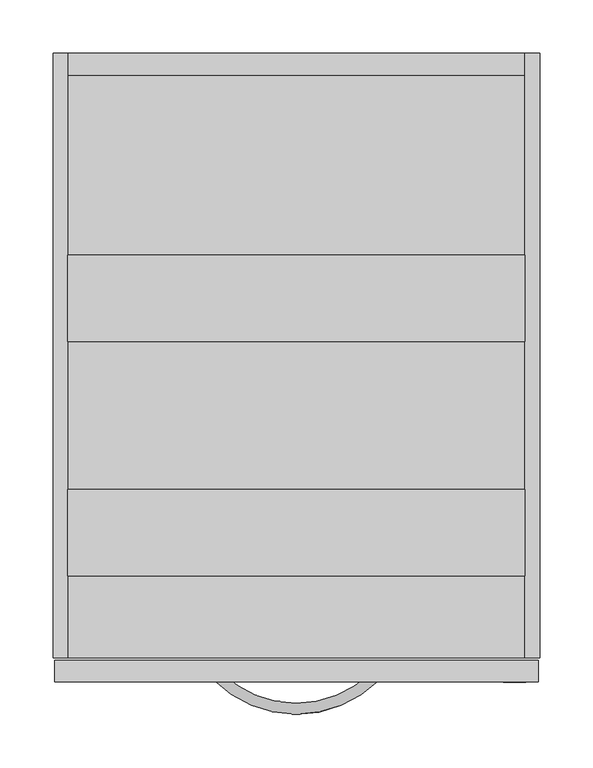
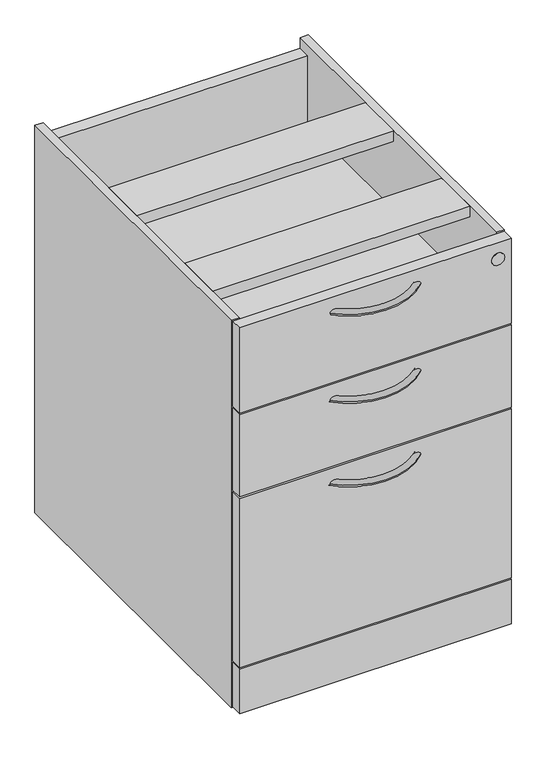
"""IFC4 building model written with IfcOpenShell, lengths in millimetres: furniture geometry."""

from ifc_helpers import new_model, si_unit, point, frame, frame_2d, origin, origin_with_axes, place, context, project, spatial, polyline, circle_curve, ellipse_curve, trimmed, segment, composite_curve, outline, extrude, source, transform, mapped, element, save
from ifc_brep_helpers import plane_surface, revolved_surface, advanced_brep


def furniture_cee28c30(model_context):
    return source(origin(), model_context, "Body", "SolidModel", [
        advanced_brep(
        [(282.3081107, 8.5864322, 670.1744451), (289.4639827, 1.3740057, 670.1744451), (141.4452893, 9.140876, 670.1744451), (134.2328628, 1.985004, 670.1744451)],
        [
            (0, 1, circle_curve(frame((285.8860467, 4.9802189, 670.1744451), z_axis=(0.7098844935595596, 0.7043181140675622, 0.0), x_axis=(0.7043181140675622, -0.7098844935595596, 0.0)), 5.08)),
            (1, 0, circle_curve(frame((285.8860467, 4.9802189, 670.1744451), z_axis=(0.7098844935595596, 0.7043181140675622, 0.0), x_axis=(0.7043181140675622, -0.7098844935595596, 0.0)), 5.08)),
            (2, 3, circle_curve(frame((137.8390761, 5.56294, 670.1744451), z_axis=(-0.7043181140675633, 0.7098844935595585, 0.0), x_axis=(-0.7098844935595585, -0.7043181140675633, 0.0)), 5.08)),
            (3, 2, circle_curve(frame((137.8390761, 5.56294, 670.1744451), z_axis=(-0.7043181140675633, 0.7098844935595585, 0.0), x_axis=(-0.7098844935595585, -0.7043181140675633, 0.0)), 5.08)),
            (3, 1, circle_curve(frame((212.1539219, 79.2950648, 670.1744451), z_axis=(0.0, 0.0, 1.0), x_axis=(0.7043181140675623, -0.7098844935595595, 0.0)), 109.7658278)),
            (0, 2, circle_curve(frame((212.1539219, 79.2950648, 670.1744451), z_axis=(0.0, 0.0, -1.0), x_axis=(0.7043181140675623, -0.7098844935595595, 0.0)), 99.6058278)),
        ],
        [
            plane_surface(frame((285.9409674, 4.9248642, 670.1234375), z_axis=(0.7098844935595596, 0.7043181140675623, 0.0), x_axis=(0.0, 0.0, 1.0))),
            plane_surface(frame((137.7837214, 5.5080193, 670.1234375), z_axis=(-0.7043181140675635, 0.7098844935595584, 0.0), x_axis=(0.0, 0.0, 1.0))),
            revolved_surface(trimmed(ellipse_curve(frame((285.8860467, 4.9802189, 670.1744451), z_axis=(0.7098844935595596, 0.7043181140675622, 0.0), x_axis=(0.7043181140675622, -0.7098844935595596, 0.0)), 5.08, 5.08), [point((282.3081107, 8.5864322, 670.1744451))], [point((289.4639827, 1.3740057, 670.1744451))], True, "CARTESIAN"), (212.1539219, 79.2950648, 670.1234375), (0.0, 0.0, -1.0)),
            revolved_surface(trimmed(ellipse_curve(frame((285.8860467, 4.9802189, 670.1744451), z_axis=(0.7098844935595596, 0.7043181140675622, 0.0), x_axis=(0.7043181140675622, -0.7098844935595596, 0.0)), 5.08, 5.08), [point((289.4639827, 1.3740057, 670.1744451))], [point((282.3081107, 8.5864322, 670.1744451))], True, "CARTESIAN"), (212.1539219, 79.2950648, 670.1234375), (0.0, 0.0, -1.0)),
        ],
        [
            (0, [[1, 2]]),
            (1, [[3, 4]]),
            (2, [[5, -1, 6, -4]]),
            (3, [[-6, -2, -5, -3]]),
        ],
    ),
        advanced_brep(
        [(282.3081107, 8.5864322, 368.2790769), (289.4639827, 1.3740057, 368.2790769), (141.4452893, 9.140876, 368.2790769), (134.2328628, 1.985004, 368.2790769)],
        [
            (0, 1, circle_curve(frame((285.8860467, 4.9802189, 368.2790769), z_axis=(0.7098844935595596, 0.7043181140675622, 0.0), x_axis=(0.7043181140675622, -0.7098844935595596, 0.0)), 5.08)),
            (1, 0, circle_curve(frame((285.8860467, 4.9802189, 368.2790769), z_axis=(0.7098844935595596, 0.7043181140675622, 0.0), x_axis=(0.7043181140675622, -0.7098844935595596, 0.0)), 5.08)),
            (2, 3, circle_curve(frame((137.8390761, 5.56294, 368.2790769), z_axis=(-0.7043181140675633, 0.7098844935595585, 0.0), x_axis=(-0.7098844935595585, -0.7043181140675633, 0.0)), 5.08)),
            (3, 2, circle_curve(frame((137.8390761, 5.56294, 368.2790769), z_axis=(-0.7043181140675633, 0.7098844935595585, 0.0), x_axis=(-0.7098844935595585, -0.7043181140675633, 0.0)), 5.08)),
            (3, 1, circle_curve(frame((212.1539219, 79.2950648, 368.2790769), z_axis=(0.0, 0.0, 1.0), x_axis=(0.7043181140675623, -0.7098844935595595, 0.0)), 109.7658278)),
            (0, 2, circle_curve(frame((212.1539219, 79.2950648, 368.2790769), z_axis=(0.0, 0.0, -1.0), x_axis=(0.7043181140675623, -0.7098844935595595, 0.0)), 99.6058278)),
        ],
        [
            plane_surface(frame((285.9409674, 4.9248642, 670.1234375), z_axis=(0.7098844935595596, 0.7043181140675623, 0.0), x_axis=(0.0, 0.0, 1.0))),
            plane_surface(frame((137.7837214, 5.5080193, 670.1234375), z_axis=(-0.7043181140675635, 0.7098844935595584, 0.0), x_axis=(0.0, 0.0, 1.0))),
            revolved_surface(trimmed(ellipse_curve(frame((285.8860467, 4.9802189, 368.2790769), z_axis=(0.7098844935595596, 0.7043181140675622, 0.0), x_axis=(0.7043181140675622, -0.7098844935595596, 0.0)), 5.08, 5.08), [point((282.3081107, 8.5864322, 368.2790769))], [point((289.4639827, 1.3740057, 368.2790769))], True, "CARTESIAN"), (212.1539219, 79.2950648, 670.1234375), (0.0, 0.0, -1.0)),
            revolved_surface(trimmed(ellipse_curve(frame((285.8860467, 4.9802189, 368.2790769), z_axis=(0.7098844935595596, 0.7043181140675622, 0.0), x_axis=(0.7043181140675622, -0.7098844935595596, 0.0)), 5.08, 5.08), [point((289.4639827, 1.3740057, 368.2790769))], [point((282.3081107, 8.5864322, 368.2790769))], True, "CARTESIAN"), (212.1539219, 79.2950648, 670.1234375), (0.0, 0.0, -1.0)),
        ],
        [
            (0, [[1, 2]]),
            (1, [[3, 4]]),
            (2, [[5, -1, 6, -4]]),
            (3, [[-6, -2, -5, -3]]),
        ],
    ),
        advanced_brep(
        [(282.3081107, 8.5864322, 516.0281992), (289.4639827, 1.3740057, 516.0281992), (141.4452893, 9.140876, 516.0281992), (134.2328628, 1.985004, 516.0281992)],
        [
            (0, 1, circle_curve(frame((285.8860467, 4.9802189, 516.0281992), z_axis=(0.7098844935595596, 0.7043181140675622, 0.0), x_axis=(0.7043181140675622, -0.7098844935595596, 0.0)), 5.08)),
            (1, 0, circle_curve(frame((285.8860467, 4.9802189, 516.0281992), z_axis=(0.7098844935595596, 0.7043181140675622, 0.0), x_axis=(0.7043181140675622, -0.7098844935595596, 0.0)), 5.08)),
            (2, 3, circle_curve(frame((137.8390761, 5.56294, 516.0281992), z_axis=(-0.7043181140675633, 0.7098844935595585, 0.0), x_axis=(-0.7098844935595585, -0.7043181140675633, 0.0)), 5.08)),
            (3, 2, circle_curve(frame((137.8390761, 5.56294, 516.0281992), z_axis=(-0.7043181140675633, 0.7098844935595585, 0.0), x_axis=(-0.7098844935595585, -0.7043181140675633, 0.0)), 5.08)),
            (3, 1, circle_curve(frame((212.1539219, 79.2950648, 516.0281992), z_axis=(0.0, 0.0, 1.0), x_axis=(0.7043181140675623, -0.7098844935595595, 0.0)), 109.7658278)),
            (0, 2, circle_curve(frame((212.1539219, 79.2950648, 516.0281992), z_axis=(0.0, 0.0, -1.0), x_axis=(0.7043181140675623, -0.7098844935595595, 0.0)), 99.6058278)),
        ],
        [
            plane_surface(frame((285.9409674, 4.9248642, 670.1234375), z_axis=(0.7098844935595596, 0.7043181140675623, 0.0), x_axis=(0.0, 0.0, 1.0))),
            plane_surface(frame((137.7837214, 5.5080193, 670.1234375), z_axis=(-0.7043181140675635, 0.7098844935595584, 0.0), x_axis=(0.0, 0.0, 1.0))),
            revolved_surface(trimmed(ellipse_curve(frame((285.8860467, 4.9802189, 516.0281992), z_axis=(0.7098844935595596, 0.7043181140675622, 0.0), x_axis=(0.7043181140675622, -0.7098844935595596, 0.0)), 5.08, 5.08), [point((282.3081107, 8.5864322, 516.0281992))], [point((289.4639827, 1.3740057, 516.0281992))], True, "CARTESIAN"), (212.1539219, 79.2950648, 670.1234375), (0.0, 0.0, -1.0)),
            revolved_surface(trimmed(ellipse_curve(frame((285.8860467, 4.9802189, 516.0281992), z_axis=(0.7098844935595596, 0.7043181140675622, 0.0), x_axis=(0.7043181140675622, -0.7098844935595596, 0.0)), 5.08, 5.08), [point((289.4639827, 1.3740057, 516.0281992))], [point((282.3081107, 8.5864322, 516.0281992))], True, "CARTESIAN"), (212.1539219, 79.2950648, 670.1234375), (0.0, 0.0, -1.0)),
        ],
        [
            (0, [[1, 2]]),
            (1, [[3, 4]]),
            (2, [[5, -1, 6, -4]]),
            (3, [[-6, -2, -5, -3]]),
        ],
    ),
        extrude(outline(composite_curve([segment(trimmed(circle_curve(frame_2d((667.8821801, 417.0630901)), 10.668), [point((667.8821801, 406.3950901))], [point((667.8821801, 427.7310901))], False, "CARTESIAN"), True, "CONTINUOUS"), segment(trimmed(circle_curve(frame_2d((667.8821801, 417.0630901)), 10.668), [point((667.8821801, 427.7310901))], [point((667.8821801, 406.3950901))], False, "CARTESIAN"), True, "CONTINUOUS")], self_intersect=False)), frame((0.0, -0.508, 0.0), z_axis=(0.0, 1.0, 0.0), x_axis=(0.0, 0.0, 1.0)), (0.0, 0.0, 1.0), 0.5079459),
        extrude(outline(composite_curve([segment(trimmed(circle_curve(frame_2d((19.0968082, 555.2063789)), 14.478), [point((4.6188082, 555.2063789))], [point((33.5748082, 555.2063789))], False, "CARTESIAN"), True, "CONTINUOUS"), segment(trimmed(circle_curve(frame_2d((19.0968082, 555.2063789)), 14.478), [point((33.5748082, 555.2063789))], [point((4.6188082, 555.2063789))], False, "CARTESIAN"), True, "CONTINUOUS")], self_intersect=False)), origin_with_axes(), (0.0, 0.0, 1.0), 12.7),
        extrude(outline(composite_curve([segment(trimmed(circle_curve(frame_2d((19.0968082, 55.3254588)), 14.478), [point((4.6188082, 55.3254588))], [point((33.5748082, 55.3254588))], False, "CARTESIAN"), True, "CONTINUOUS"), segment(trimmed(circle_curve(frame_2d((19.0968082, 55.3254588)), 14.478), [point((33.5748082, 55.3254588))], [point((4.6188082, 55.3254588))], False, "CARTESIAN"), True, "CONTINUOUS")], self_intersect=False)), origin_with_axes(), (0.0, 0.0, 1.0), 12.7),
        extrude(outline(composite_curve([segment(trimmed(circle_curve(frame_2d((404.6419262, 555.2063789)), 14.478), [point((390.1639262, 555.2063789))], [point((419.1199262, 555.2063789))], False, "CARTESIAN"), True, "CONTINUOUS"), segment(trimmed(circle_curve(frame_2d((404.6419262, 555.2063789)), 14.478), [point((419.1199262, 555.2063789))], [point((390.1639262, 555.2063789))], False, "CARTESIAN"), True, "CONTINUOUS")], self_intersect=False)), origin_with_axes(), (0.0, 0.0, 1.0), 12.7),
        extrude(outline(composite_curve([segment(trimmed(circle_curve(frame_2d((404.6419262, 55.3254588)), 14.478), [point((390.1639262, 55.3254588))], [point((419.1199262, 55.3254588))], False, "CARTESIAN"), True, "CONTINUOUS"), segment(trimmed(circle_curve(frame_2d((404.6419262, 55.3254588)), 14.478), [point((419.1199262, 55.3254588))], [point((390.1639262, 55.3254588))], False, "CARTESIAN"), True, "CONTINUOUS")], self_intersect=False)), origin_with_axes(), (0.0, 0.0, 1.0), 12.7),
        extrude(outline(polyline([(439.2562901, -5.41e-05), (-14.9477997, -5.41e-05), (-14.9477997, 20.1673196), (439.2562901, 20.1673196), (439.2562901, -5.41e-05)])), frame((0.0, 0.0, 15.1892005), z_axis=(0.0, 0.0, 1.0), x_axis=(1.0, 0.0, 0.0)), (0.0, 0.0, 1.0), 78.4098011),
        extrude(outline(polyline([(439.2562901, -5.41e-05), (-14.9477997, -5.41e-05), (-14.9477997, 20.1676), (439.2562901, 20.1676), (439.2562901, -5.41e-05)])), frame((0.0, 0.0, 546.5508549), z_axis=(0.0, 0.0, 1.0), x_axis=(1.0, 0.0, 0.0)), (0.0, 0.0, 1.0), 150.6664714),
        extrude(outline(polyline([(439.2562901, -5.41e-05), (-14.9477997, -5.41e-05), (-14.9477997, 20.1676), (439.2562901, 20.1676), (439.2562901, -5.41e-05)])), frame((0.0, 0.0, 398.3990107), z_axis=(0.0, 0.0, 1.0), x_axis=(1.0, 0.0, 0.0)), (0.0, 0.0, 1.0), 145.1546435),
        extrude(outline(polyline([(439.2562901, -5.41e-05), (-14.9477997, -5.41e-05), (-14.9477997, 20.1676), (439.2562901, 20.1676), (439.2562901, -5.41e-05)])), frame((0.0, 0.0, 96.5962023), z_axis=(0.0, 0.0, 1.0), x_axis=(1.0, 0.0, 0.0)), (0.0, 0.0, 1.0), 298.8056075),
        extrude(outline(polyline([(569.8995163, 678.6499277), (590.55, 678.6499277), (590.55, 12.7), (22.5805444, 12.7), (22.5805444, 48.5394019), (569.8995163, 48.5394019), (569.8995163, 390.8454182), (22.5805444, 390.8454182), (22.5805444, 409.8954182), (569.8995163, 409.8954182), (569.8995163, 538.9972625), (22.5805444, 538.9972625), (22.5805444, 558.0472625), (569.8995163, 558.0472625), (569.8995163, 678.6499277)])), frame((-2.6276215, 0.0, 0.0), z_axis=(1.0, 0.0, 0.0), x_axis=(0.0, 1.0, 0.0)), (0.0, 0.0, 1.0), 429.5639434),
        extrude(outline(polyline([(426.9363219, 400.9895163), (426.9363219, 319.6078558), (-2.6276215, 319.6078558), (-2.6276215, 400.9895163), (426.9363219, 400.9895163)])), frame((0.0, 0.0, 678.6499277), z_axis=(0.0, 0.0, 1.0), x_axis=(1.0, 0.0, 0.0)), (0.0, 0.0, 1.0), 19.0499723),
        extrude(outline(polyline([(426.9363219, 180.6953118), (426.9363219, 99.3142327), (-2.6276215, 99.3142327), (-2.6276215, 180.6953118), (426.9363219, 180.6953118)])), frame((0.0, 0.0, 678.6499277), z_axis=(0.0, 0.0, 1.0), x_axis=(1.0, 0.0, 0.0)), (0.0, 0.0, 1.0), 19.0499723),
        extrude(outline(polyline([(-2.6276215, 590.55), (-2.6276215, 22.5805444), (-16.4460781, 22.5805444), (-16.4460781, 590.55), (-2.6276215, 590.55)])), frame((0.0, 0.0, 12.7), z_axis=(0.0, 0.0, 1.0), x_axis=(1.0, 0.0, 0.0)), (0.0, 0.0, 1.0), 684.9999),
        extrude(outline(polyline([(440.7539219, 590.55), (440.7539219, 22.5805444), (426.9363219, 22.5805444), (426.9363219, 590.55), (440.7539219, 590.55)])), frame((0.0, 0.0, 12.7), z_axis=(0.0, 0.0, 1.0), x_axis=(1.0, 0.0, 0.0)), (0.0, 0.0, 1.0), 684.9999),
    ])


if __name__ == "__main__":
    model = new_model("IFC4")
    model_context = context("Model", 3, world=origin())
    ifc_project = project(units=[si_unit("LENGTHUNIT", "METRE", prefix="MILLI")], contexts=[model_context])
    site = spatial("IfcSite", under=ifc_project)
    building = spatial("IfcBuilding", under=site)
    placement = place(None, origin())
    furniture_shape = furniture_cee28c30(model_context)
    element("IfcFurniture", 1, at=placement, inside=building, context=model_context, shape_type="MappedRepresentation", body=[
        mapped(furniture_shape, transform((0.0, 0.0, 0.0), x_axis=(1.0, 0.0, 0.0), y_axis=(0.0, 1.0, 0.0), z_axis=(0.0, 0.0, 1.0))),
    ])
    save(model, "model.ifc")
